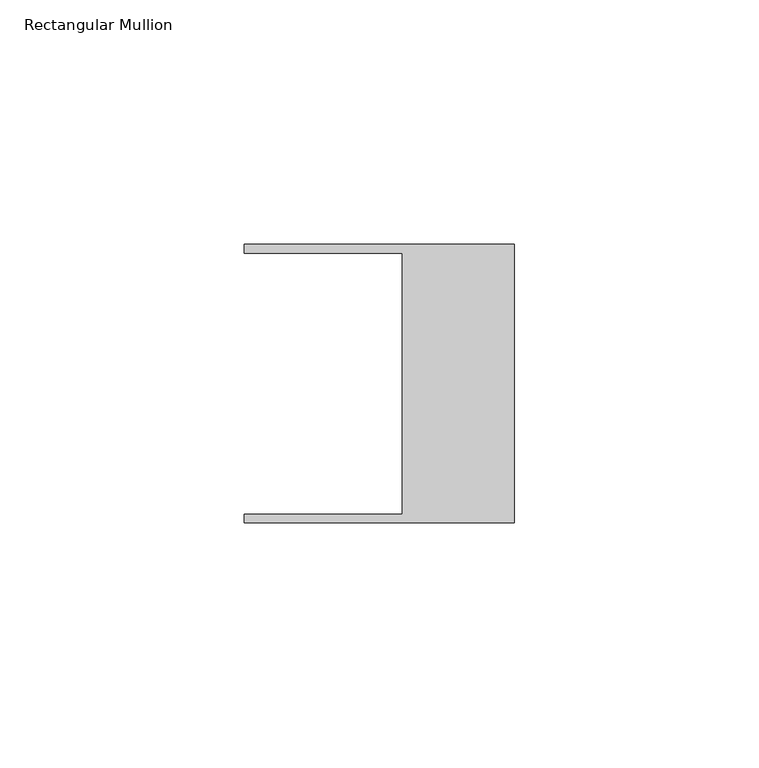
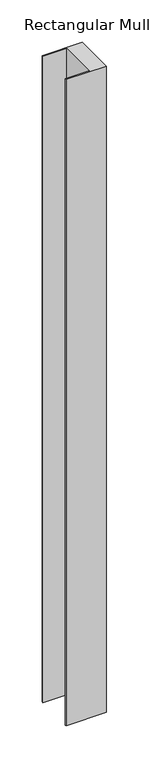
"""IFC4 building model written with IfcOpenShell, lengths in millimetres: member geometry, Rectangular Mullion."""

import ifcopenshell
import ifcopenshell.guid

model = None  # the IFC model being written
_history = None  # IfcOwnerHistory: only IFC2X3 demands one
_inside = {}  # id of a spatial element -> (the spatial element, [elements in it])
_under = {}  # id of a project, library or spatial element -> (it, [spatial elements below it])
_declared = {}  # id of a project -> (the project, [libraries it declares])
_typed = {}  # id of a type object -> (the type object, [elements of that type])
_made_of = {}  # id of a material, layer set ... -> (it, [elements and type objects made of it])


def new_model(schema):
    """Start an empty IFC model of exactly this schema.

    Asked for "IFC4X3", IfcOpenShell would pick the latest addendum, in which some entities
    have other attributes; the version numbers below select the first issue.
    IFC2X3 requires an IfcOwnerHistory on every rooted entity: one is made here for all.
    """
    global model, _history
    if schema == "IFC4X3":
        model = ifcopenshell.file(schema_version=(4, 3, 0, 0))
    else:
        model = ifcopenshell.file(schema=schema)
    _inside.clear()
    _under.clear()
    _declared.clear()
    _typed.clear()
    _made_of.clear()
    _history = None
    if model.schema == "IFC2X3":
        org = make("IfcOrganization", Name="unknown")
        user = make(
            "IfcPersonAndOrganization",
            ThePerson=make("IfcPerson", FamilyName="unknown"),
            TheOrganization=org,
        )
        app = make(
            "IfcApplication",
            ApplicationDeveloper=org,
            Version="unknown",
            ApplicationFullName="unknown",
            ApplicationIdentifier="unknown",
        )
        _history = make(
            "IfcOwnerHistory",
            OwningUser=user,
            OwningApplication=app,
            ChangeAction="ADDED",
            CreationDate=0,
        )
    return model


def make(cls, **values):
    """One entity of the class cls with the attributes given. An attribute that is None is left unset."""
    return model.create_entity(
        cls, **{name: value for name, value in values.items() if value is not None}
    )


def rooted(cls, **values):
    """An entity with a GlobalId (a new one), such as an element, a storey or a relation."""
    return make(cls, GlobalId=ifcopenshell.guid.new(), OwnerHistory=_history, **values)


def si_unit(unit_type, name, prefix=None):
    """IfcSIUnit, for example si_unit("LENGTHUNIT", "METRE", prefix="MILLI")."""
    return make("IfcSIUnit", UnitType=unit_type, Prefix=prefix, Name=name)


def assignment(units):
    """IfcUnitAssignment: the units of a project."""
    return None if units is None else make("IfcUnitAssignment", Units=units)


def point(xyz):
    """IfcCartesianPoint."""
    return None if xyz is None else make("IfcCartesianPoint", Coordinates=xyz)


def direction(xyz):
    """IfcDirection."""
    return None if xyz is None else make("IfcDirection", DirectionRatios=xyz)


def frame(location, z_axis=None, x_axis=None):
    """IfcAxis2Placement3D, a coordinate frame: its origin and axes. An axis left out is left unset."""
    return make(
        "IfcAxis2Placement3D",
        Location=point(location),
        Axis=direction(z_axis),
        RefDirection=direction(x_axis),
    )


def origin():
    """The frame at (0, 0, 0) with its axes left unset."""
    return frame((0.0, 0.0, 0.0))


def place(relative_to, where):
    """IfcLocalPlacement: puts the frame where relative to a parent placement (None: the world)."""
    return make(
        "IfcLocalPlacement", PlacementRelTo=relative_to, RelativePlacement=where
    )


def context(
    kind, dimensions, precision=None, world=None, true_north=None, identifier=None
):
    """IfcGeometricRepresentationContext, for example the 3D "Model" context."""
    return make(
        "IfcGeometricRepresentationContext",
        ContextIdentifier=identifier,
        ContextType=kind,
        CoordinateSpaceDimension=dimensions,
        Precision=precision,
        WorldCoordinateSystem=world,
        TrueNorth=true_north,
    )


def project(units=None, contexts=None):
    """IfcProject with its units and contexts."""
    return rooted(
        "IfcProject",
        Name="project",
        RepresentationContexts=contexts,
        UnitsInContext=assignment(units),
    )


def spatial(cls, under=None, at=None, **own):
    """A site, building, storey or space (cls), placed at a placement, below another one or the project."""
    s = rooted(cls, ObjectPlacement=at, **own)
    if under is not None:
        _under.setdefault(under.id(), (under, []))[1].append(s)
    return s


def polyline(points):
    """IfcPolyline through the points."""
    return make("IfcPolyline", Points=[point(p) for p in points])


def outline(outer, holes=None, kind="AREA"):
    """IfcArbitraryClosedProfileDef: a profile drawn as a closed curve; with holes, ...WithVoids."""
    if holes is None:
        return make("IfcArbitraryClosedProfileDef", ProfileType=kind, OuterCurve=outer)
    return make(
        "IfcArbitraryProfileDefWithVoids",
        ProfileType=kind,
        OuterCurve=outer,
        InnerCurves=holes,
    )


def extrude(swept, where, along, depth):
    """IfcExtrudedAreaSolid: the profile swept, set in the frame where, extruded along a direction by depth."""
    return make(
        "IfcExtrudedAreaSolid",
        SweptArea=swept,
        Position=where,
        ExtrudedDirection=direction(along),
        Depth=depth,
    )


def shape(context_of_items, identifier, shape_type, items):
    """IfcShapeRepresentation: the items that make up one representation, for example the "Body"."""
    return make(
        "IfcShapeRepresentation",
        ContextOfItems=context_of_items,
        RepresentationIdentifier=identifier,
        RepresentationType=shape_type,
        Items=items,
    )


def source(mapping_origin, context_of_items, identifier, shape_type, items):
    """IfcRepresentationMap: a shape defined once, which mapped items show again and again."""
    return make(
        "IfcRepresentationMap",
        MappingOrigin=mapping_origin,
        MappedRepresentation=shape(context_of_items, identifier, shape_type, items),
    )


def transform(
    local_origin,
    x_axis=None,
    y_axis=None,
    z_axis=None,
    scale=None,
    scale2=None,
    scale3=None,
    uniform=True,
):
    """IfcCartesianTransformationOperator3D, or its non-uniform kind. x_axis, y_axis, z_axis: its Axis1, 2, 3."""
    if uniform:
        return make(
            "IfcCartesianTransformationOperator3D",
            Axis1=direction(x_axis),
            Axis2=direction(y_axis),
            LocalOrigin=point(local_origin),
            Scale=scale,
            Axis3=direction(z_axis),
        )
    return make(
        "IfcCartesianTransformationOperator3DnonUniform",
        Axis1=direction(x_axis),
        Axis2=direction(y_axis),
        LocalOrigin=point(local_origin),
        Scale=scale,
        Axis3=direction(z_axis),
        Scale2=scale2,
        Scale3=scale3,
    )


def mapped(mapping_source, mapping_target):
    """IfcMappedItem: shows the shape of a source again, moved by a transform."""
    return make(
        "IfcMappedItem", MappingSource=mapping_source, MappingTarget=mapping_target
    )


def made_of(thing, what):
    """Note that an element or type object is made of a material, layer set ...; save() writes the relation."""
    if what is not None:
        _made_of.setdefault(what.id(), (what, []))[1].append(thing)
    return thing


def element(
    cls,
    number,
    at=None,
    inside=None,
    cuts=None,
    type_object=None,
    material=None,
    context=None,
    identifier="Body",
    shape_type=None,
    held_by="IfcProductDefinitionShape",
    body=None,
    shapes=None,
    **own,
):
    """One element of the class cls, such as IfcWall. Its Tag is "e" and its number.

    at: its placement. inside: the storey or other place that contains it. cuts: it is an
    opening in that element (IfcRelVoidsElement). A single representation is given by context,
    identifier, shape_type and body (its items); several are given by shapes. held_by: the class
    of the entity that holds the representations. save() writes the other relations.
    """
    e = rooted(cls, Tag="e%d" % number, ObjectPlacement=at, **own)
    if body is not None:
        shapes = [shape(context, identifier, shape_type, body)]
    if shapes is not None:
        e.Representation = make(held_by, Representations=shapes)
    if inside is not None:
        _inside.setdefault(inside.id(), (inside, []))[1].append(e)
    if cuts is not None:
        rooted(
            "IfcRelVoidsElement", RelatingBuildingElement=cuts, RelatedOpeningElement=e
        )
    if type_object is not None:
        _typed.setdefault(type_object.id(), (type_object, []))[1].append(e)
    return made_of(e, material)


def aggregate(whole, parts):
    """IfcRelAggregates: a whole, such as a stair, and the parts it consists of."""
    return rooted("IfcRelAggregates", RelatingObject=whole, RelatedObjects=parts)


def save(model, path):
    """Write the relations noted so far, then the file.

    IfcRelAggregates (storeys below a building ...), IfcRelContainedInSpatialStructure (elements
    in a storey), IfcRelDefinesByType, IfcRelAssociatesMaterial and IfcRelDeclares: one each for
    every whole, place, type object, material and project.
    """
    for whole, parts in _under.values():
        aggregate(whole, parts)
    for where, things in _inside.values():
        rooted(
            "IfcRelContainedInSpatialStructure",
            RelatedElements=things,
            RelatingStructure=where,
        )
    for kind, things in _typed.values():
        rooted("IfcRelDefinesByType", RelatedObjects=things, RelatingType=kind)
    for what, things in _made_of.values():
        rooted("IfcRelAssociatesMaterial", RelatedObjects=things, RelatingMaterial=what)
    for by, libraries in _declared.values():
        rooted("IfcRelDeclares", RelatingContext=by, RelatedDefinitions=libraries)
    model.write(path)


def rectangular_mullion_0d0a3611(model_context):
    return source(origin(), model_context, "Body", "SweptSolid", [
        extrude(outline(polyline([(-55.118, -26.67), (-22.86, -26.67), (-22.86, 26.67), (-55.118, 26.67), (-55.118, 28.448), (0.0, 28.448), (0.0, -28.448), (-55.118, -28.448), (-55.118, -26.67)])), frame((0.0, 0.0, -935.2915931), z_axis=(0.0, 0.0, 1.0), x_axis=(1.0, 0.0, 0.0)), (0.0, 0.0, 1.0), 935.2915931),
    ])


if __name__ == "__main__":
    model = new_model("IFC4")
    model_context = context("Model", 3, world=origin())
    ifc_project = project(units=[si_unit("LENGTHUNIT", "METRE", prefix="MILLI")], contexts=[model_context])
    site = spatial("IfcSite", under=ifc_project)
    building = spatial("IfcBuilding", under=site)
    placement = place(None, origin())
    rectangular_mullion_shape = rectangular_mullion_0d0a3611(model_context)
    element("IfcMember", 1, ObjectType="Rectangular Mullion", at=placement, inside=building, context=model_context, shape_type="MappedRepresentation", body=[
        mapped(rectangular_mullion_shape, transform((0.0, 0.0, 0.0), x_axis=(1.0, 0.0, 0.0), y_axis=(0.0, 1.0, 0.0), z_axis=(0.0, 0.0, 1.0))),
    ])
    save(model, "model.ifc")
